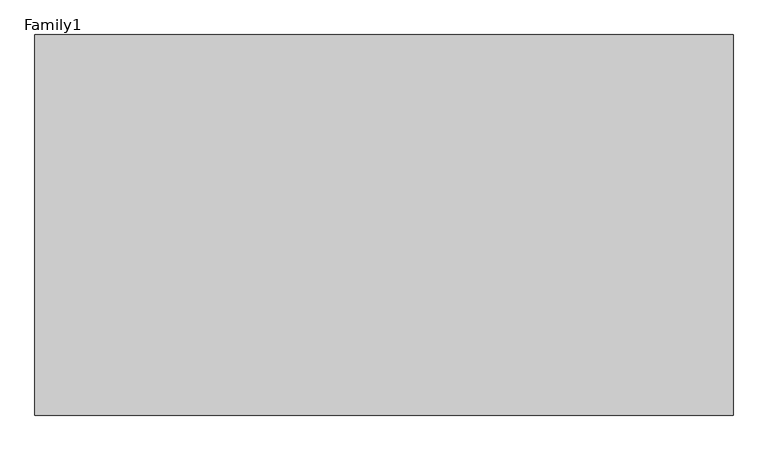
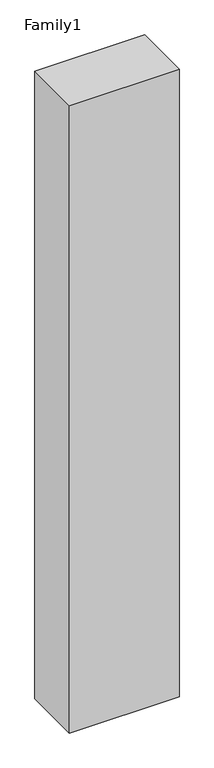
"""IFC4 building model written with IfcOpenShell, lengths in millimetres: proxy geometry, Family1."""

import ifcopenshell
import ifcopenshell.guid

model = None  # the IFC model being written
_history = None  # IfcOwnerHistory: only IFC2X3 demands one
_inside = {}  # id of a spatial element -> (the spatial element, [elements in it])
_under = {}  # id of a project, library or spatial element -> (it, [spatial elements below it])
_declared = {}  # id of a project -> (the project, [libraries it declares])
_typed = {}  # id of a type object -> (the type object, [elements of that type])
_made_of = {}  # id of a material, layer set ... -> (it, [elements and type objects made of it])


def new_model(schema):
    """Start an empty IFC model of exactly this schema.

    Asked for "IFC4X3", IfcOpenShell would pick the latest addendum, in which some entities
    have other attributes; the version numbers below select the first issue.
    IFC2X3 requires an IfcOwnerHistory on every rooted entity: one is made here for all.
    """
    global model, _history
    if schema == "IFC4X3":
        model = ifcopenshell.file(schema_version=(4, 3, 0, 0))
    else:
        model = ifcopenshell.file(schema=schema)
    _inside.clear()
    _under.clear()
    _declared.clear()
    _typed.clear()
    _made_of.clear()
    _history = None
    if model.schema == "IFC2X3":
        org = make("IfcOrganization", Name="unknown")
        user = make(
            "IfcPersonAndOrganization",
            ThePerson=make("IfcPerson", FamilyName="unknown"),
            TheOrganization=org,
        )
        app = make(
            "IfcApplication",
            ApplicationDeveloper=org,
            Version="unknown",
            ApplicationFullName="unknown",
            ApplicationIdentifier="unknown",
        )
        _history = make(
            "IfcOwnerHistory",
            OwningUser=user,
            OwningApplication=app,
            ChangeAction="ADDED",
            CreationDate=0,
        )
    return model


def make(cls, **values):
    """One entity of the class cls with the attributes given. An attribute that is None is left unset."""
    return model.create_entity(
        cls, **{name: value for name, value in values.items() if value is not None}
    )


def rooted(cls, **values):
    """An entity with a GlobalId (a new one), such as an element, a storey or a relation."""
    return make(cls, GlobalId=ifcopenshell.guid.new(), OwnerHistory=_history, **values)


def si_unit(unit_type, name, prefix=None):
    """IfcSIUnit, for example si_unit("LENGTHUNIT", "METRE", prefix="MILLI")."""
    return make("IfcSIUnit", UnitType=unit_type, Prefix=prefix, Name=name)


def assignment(units):
    """IfcUnitAssignment: the units of a project."""
    return None if units is None else make("IfcUnitAssignment", Units=units)


def point(xyz):
    """IfcCartesianPoint."""
    return None if xyz is None else make("IfcCartesianPoint", Coordinates=xyz)


def direction(xyz):
    """IfcDirection."""
    return None if xyz is None else make("IfcDirection", DirectionRatios=xyz)


def frame(location, z_axis=None, x_axis=None):
    """IfcAxis2Placement3D, a coordinate frame: its origin and axes. An axis left out is left unset."""
    return make(
        "IfcAxis2Placement3D",
        Location=point(location),
        Axis=direction(z_axis),
        RefDirection=direction(x_axis),
    )


def origin():
    """The frame at (0, 0, 0) with its axes left unset."""
    return frame((0.0, 0.0, 0.0))


def origin_with_axes():
    """The frame at (0, 0, 0) with the z axis (0, 0, 1) and the x axis (1, 0, 0) written out."""
    return frame((0.0, 0.0, 0.0), z_axis=(0.0, 0.0, 1.0), x_axis=(1.0, 0.0, 0.0))


def place(relative_to, where):
    """IfcLocalPlacement: puts the frame where relative to a parent placement (None: the world)."""
    return make(
        "IfcLocalPlacement", PlacementRelTo=relative_to, RelativePlacement=where
    )


def context(
    kind, dimensions, precision=None, world=None, true_north=None, identifier=None
):
    """IfcGeometricRepresentationContext, for example the 3D "Model" context."""
    return make(
        "IfcGeometricRepresentationContext",
        ContextIdentifier=identifier,
        ContextType=kind,
        CoordinateSpaceDimension=dimensions,
        Precision=precision,
        WorldCoordinateSystem=world,
        TrueNorth=true_north,
    )


def project(units=None, contexts=None):
    """IfcProject with its units and contexts."""
    return rooted(
        "IfcProject",
        Name="project",
        RepresentationContexts=contexts,
        UnitsInContext=assignment(units),
    )


def spatial(cls, under=None, at=None, **own):
    """A site, building, storey or space (cls), placed at a placement, below another one or the project."""
    s = rooted(cls, ObjectPlacement=at, **own)
    if under is not None:
        _under.setdefault(under.id(), (under, []))[1].append(s)
    return s


def polyline(points):
    """IfcPolyline through the points."""
    return make("IfcPolyline", Points=[point(p) for p in points])


def outline(outer, holes=None, kind="AREA"):
    """IfcArbitraryClosedProfileDef: a profile drawn as a closed curve; with holes, ...WithVoids."""
    if holes is None:
        return make("IfcArbitraryClosedProfileDef", ProfileType=kind, OuterCurve=outer)
    return make(
        "IfcArbitraryProfileDefWithVoids",
        ProfileType=kind,
        OuterCurve=outer,
        InnerCurves=holes,
    )


def extrude(swept, where, along, depth):
    """IfcExtrudedAreaSolid: the profile swept, set in the frame where, extruded along a direction by depth."""
    return make(
        "IfcExtrudedAreaSolid",
        SweptArea=swept,
        Position=where,
        ExtrudedDirection=direction(along),
        Depth=depth,
    )


def shape(context_of_items, identifier, shape_type, items):
    """IfcShapeRepresentation: the items that make up one representation, for example the "Body"."""
    return make(
        "IfcShapeRepresentation",
        ContextOfItems=context_of_items,
        RepresentationIdentifier=identifier,
        RepresentationType=shape_type,
        Items=items,
    )


def source(mapping_origin, context_of_items, identifier, shape_type, items):
    """IfcRepresentationMap: a shape defined once, which mapped items show again and again."""
    return make(
        "IfcRepresentationMap",
        MappingOrigin=mapping_origin,
        MappedRepresentation=shape(context_of_items, identifier, shape_type, items),
    )


def transform(
    local_origin,
    x_axis=None,
    y_axis=None,
    z_axis=None,
    scale=None,
    scale2=None,
    scale3=None,
    uniform=True,
):
    """IfcCartesianTransformationOperator3D, or its non-uniform kind. x_axis, y_axis, z_axis: its Axis1, 2, 3."""
    if uniform:
        return make(
            "IfcCartesianTransformationOperator3D",
            Axis1=direction(x_axis),
            Axis2=direction(y_axis),
            LocalOrigin=point(local_origin),
            Scale=scale,
            Axis3=direction(z_axis),
        )
    return make(
        "IfcCartesianTransformationOperator3DnonUniform",
        Axis1=direction(x_axis),
        Axis2=direction(y_axis),
        LocalOrigin=point(local_origin),
        Scale=scale,
        Axis3=direction(z_axis),
        Scale2=scale2,
        Scale3=scale3,
    )


def mapped(mapping_source, mapping_target):
    """IfcMappedItem: shows the shape of a source again, moved by a transform."""
    return make(
        "IfcMappedItem", MappingSource=mapping_source, MappingTarget=mapping_target
    )


def made_of(thing, what):
    """Note that an element or type object is made of a material, layer set ...; save() writes the relation."""
    if what is not None:
        _made_of.setdefault(what.id(), (what, []))[1].append(thing)
    return thing


def element(
    cls,
    number,
    at=None,
    inside=None,
    cuts=None,
    type_object=None,
    material=None,
    context=None,
    identifier="Body",
    shape_type=None,
    held_by="IfcProductDefinitionShape",
    body=None,
    shapes=None,
    **own,
):
    """One element of the class cls, such as IfcWall. Its Tag is "e" and its number.

    at: its placement. inside: the storey or other place that contains it. cuts: it is an
    opening in that element (IfcRelVoidsElement). A single representation is given by context,
    identifier, shape_type and body (its items); several are given by shapes. held_by: the class
    of the entity that holds the representations. save() writes the other relations.
    """
    e = rooted(cls, Tag="e%d" % number, ObjectPlacement=at, **own)
    if body is not None:
        shapes = [shape(context, identifier, shape_type, body)]
    if shapes is not None:
        e.Representation = make(held_by, Representations=shapes)
    if inside is not None:
        _inside.setdefault(inside.id(), (inside, []))[1].append(e)
    if cuts is not None:
        rooted(
            "IfcRelVoidsElement", RelatingBuildingElement=cuts, RelatedOpeningElement=e
        )
    if type_object is not None:
        _typed.setdefault(type_object.id(), (type_object, []))[1].append(e)
    return made_of(e, material)


def aggregate(whole, parts):
    """IfcRelAggregates: a whole, such as a stair, and the parts it consists of."""
    return rooted("IfcRelAggregates", RelatingObject=whole, RelatedObjects=parts)


def save(model, path):
    """Write the relations noted so far, then the file.

    IfcRelAggregates (storeys below a building ...), IfcRelContainedInSpatialStructure (elements
    in a storey), IfcRelDefinesByType, IfcRelAssociatesMaterial and IfcRelDeclares: one each for
    every whole, place, type object, material and project.
    """
    for whole, parts in _under.values():
        aggregate(whole, parts)
    for where, things in _inside.values():
        rooted(
            "IfcRelContainedInSpatialStructure",
            RelatedElements=things,
            RelatingStructure=where,
        )
    for kind, things in _typed.values():
        rooted("IfcRelDefinesByType", RelatedObjects=things, RelatingType=kind)
    for what, things in _made_of.values():
        rooted("IfcRelAssociatesMaterial", RelatedObjects=things, RelatingMaterial=what)
    for by, libraries in _declared.values():
        rooted("IfcRelDeclares", RelatingContext=by, RelatedDefinitions=libraries)
    model.write(path)


def family1_79775ad2(model_context):
    return source(origin(), model_context, "Body", "SweptSolid", [
        extrude(outline(polyline([(5500.0, 0.0), (0.0, 0.0), (0.0, 3000.0), (5500.0, 3000.0), (5500.0, 0.0)])), origin_with_axes(), (0.0, 0.0, 1.0), 33285.0),
    ])


if __name__ == "__main__":
    model = new_model("IFC4")
    model_context = context("Model", 3, world=origin())
    ifc_project = project(units=[si_unit("LENGTHUNIT", "METRE", prefix="MILLI")], contexts=[model_context])
    site = spatial("IfcSite", under=ifc_project)
    building = spatial("IfcBuilding", under=site)
    placement = place(None, origin())
    family1_shape = family1_79775ad2(model_context)
    element("IfcBuildingElementProxy", 1, Name="Family1", ObjectType="Family1", at=placement, inside=building, context=model_context, shape_type="MappedRepresentation", body=[
        mapped(family1_shape, transform((0.0, 0.0, 0.0), x_axis=(1.0, 0.0, 0.0), y_axis=(0.0, 1.0, 0.0), z_axis=(0.0, 0.0, 1.0))),
    ])
    save(model, "model.ifc")
